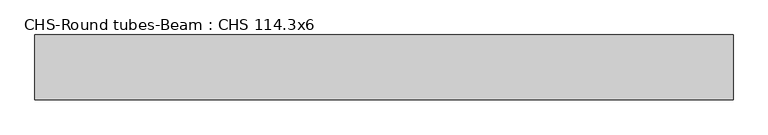
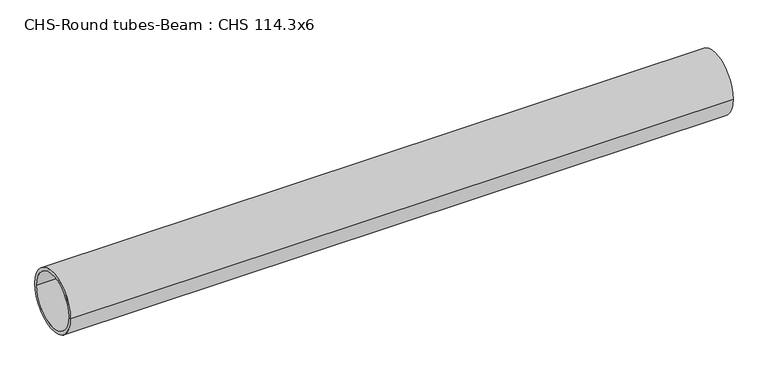
"""IFC4 building model written with IfcOpenShell, lengths in millimetres: beam geometry, CHS-Round tubes-Beam : CHS 114.3x6."""

from ifc_helpers import new_model, si_unit, point, frame, origin, origin_2d, place, context, project, spatial, circle_curve, trimmed, segment, composite_curve, outline, extrude, source, transform, mapped, element, save


def chs_round_tubes_beam_chs_114_3x6_0c1ce04a(model_context):
    return source(origin(), model_context, "Body", "SweptSolid", [
        extrude(outline(composite_curve([segment(trimmed(circle_curve(origin_2d(), 57.15), [point((57.15, 0.0))], [point((-57.15, 0.0))], False, "CARTESIAN"), True, "CONTINUOUS"), segment(trimmed(circle_curve(origin_2d(), 57.15), [point((-57.15, 0.0))], [point((57.15, 0.0))], False, "CARTESIAN"), True, "CONTINUOUS")], self_intersect=False), holes=[composite_curve([segment(trimmed(circle_curve(origin_2d(), 51.15), [point((51.15, 0.0))], [point((-51.15, 0.0))], True, "CARTESIAN"), True, "CONTINUOUS"), segment(trimmed(circle_curve(origin_2d(), 51.15), [point((-51.15, 0.0))], [point((51.15, 0.0))], True, "CARTESIAN"), True, "CONTINUOUS")], self_intersect=False)]), frame((-613.9088055, 0.0, 0.0), z_axis=(1.0, 0.0, 0.0), x_axis=(0.0, 1.0, 0.0)), (0.0, 0.0, 1.0), 1232.5573311),
    ])


if __name__ == "__main__":
    model = new_model("IFC4")
    model_context = context("Model", 3, world=origin())
    ifc_project = project(units=[si_unit("LENGTHUNIT", "METRE", prefix="MILLI")], contexts=[model_context])
    site = spatial("IfcSite", under=ifc_project)
    building = spatial("IfcBuilding", under=site)
    placement = place(None, origin())
    chs_round_tubes_beam_chs_114_3x6_shape = chs_round_tubes_beam_chs_114_3x6_0c1ce04a(model_context)
    element("IfcBeam", 1, ObjectType="CHS-Round tubes-Beam : CHS 114.3x6", at=placement, inside=building, context=model_context, shape_type="MappedRepresentation", body=[
        mapped(chs_round_tubes_beam_chs_114_3x6_shape, transform((0.0, 0.0, 0.0), x_axis=(1.0, 0.0, 0.0), y_axis=(0.0, 1.0, 0.0), z_axis=(0.0, 0.0, 1.0))),
    ])
    save(model, "model.ifc")
